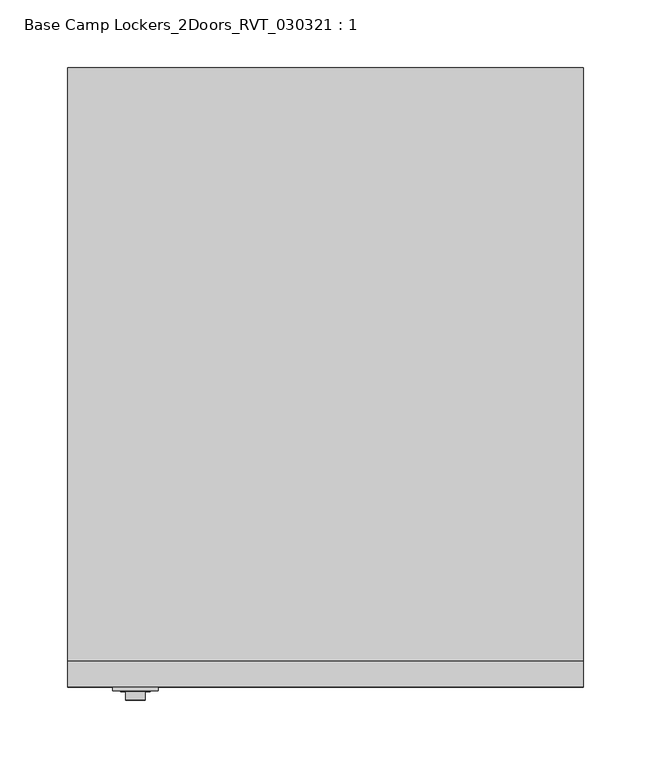
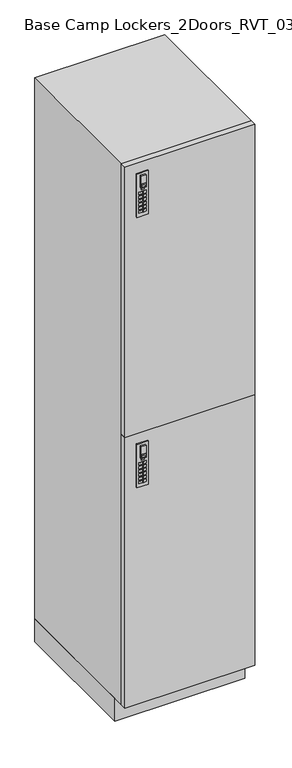
"""IFC4 building model written with IfcOpenShell, lengths in millimetres: furniture geometry, Base Camp Lockers_2Doors_RVT_030321 : 1."""

from ifc_helpers import new_model, si_unit, point, frame, frame_2d, origin, origin_with_axes, place, context, project, spatial, polyline, circle_curve, trimmed, segment, composite_curve, outline, extrude, source, transform, mapped, element, save


def base_camp_lockers_2doors_rvt_030321_1_e625cfff(model_context):
    return source(origin(), model_context, "Body", "SweptSolid", [
        extrude(outline(polyline([(-335.5659847, -459.994), (-326.1679847, -459.994), (-326.1679847, -460.8078831), (-335.5659847, -460.8078831), (-335.5659847, -459.994)])), frame((0.0, 0.0, 825.9907206), z_axis=(0.0, 0.0, 1.0), x_axis=(1.0, 0.0, 0.0)), (0.0, 0.0, 1.0), 4.8387031),
        extrude(outline(polyline([(-341.8914743, -459.994), (-331.9854743, -459.994), (-331.9854743, -460.8078831), (-341.8914743, -460.8078831), (-341.8914743, -459.994)])), frame((0.0, 0.0, 789.432), z_axis=(0.0, 0.0, 1.0), x_axis=(1.0, 0.0, 0.0)), (0.0, 0.0, 1.0), 7.874),
        extrude(outline(polyline([(-341.8914743, -459.994), (-331.9854743, -459.994), (-331.9854743, -460.8078831), (-341.8914743, -460.8078831), (-341.8914743, -459.994)])), frame((0.0, 0.0, 778.002), z_axis=(0.0, 0.0, 1.0), x_axis=(1.0, 0.0, 0.0)), (0.0, 0.0, 1.0), 7.874),
        extrude(outline(polyline([(-341.8914743, -459.994), (-331.9854743, -459.994), (-331.9854743, -460.8078831), (-341.8914743, -460.8078831), (-341.8914743, -459.994)])), frame((0.0, 0.0, 812.292), z_axis=(0.0, 0.0, 1.0), x_axis=(1.0, 0.0, 0.0)), (0.0, 0.0, 1.0), 7.874),
        extrude(outline(polyline([(-341.8914743, -459.994), (-331.9854743, -459.994), (-331.9854743, -460.8078831), (-341.8914743, -460.8078831), (-341.8914743, -459.994)])), frame((0.0, 0.0, 800.862), z_axis=(0.0, 0.0, 1.0), x_axis=(1.0, 0.0, 0.0)), (0.0, 0.0, 1.0), 7.874),
        extrude(outline(polyline([(-341.8914743, -459.994), (-331.9854743, -459.994), (-331.9854743, -460.8078831), (-341.8914743, -460.8078831), (-341.8914743, -459.994)])), frame((0.0, 0.0, 766.572), z_axis=(0.0, 0.0, 1.0), x_axis=(1.0, 0.0, 0.0)), (0.0, 0.0, 1.0), 7.874),
        extrude(outline(polyline([(-341.8914743, -459.994), (-331.9854743, -459.994), (-331.9854743, -460.8078831), (-341.8914743, -460.8078831), (-341.8914743, -459.994)])), frame((0.0, 0.0, 755.142), z_axis=(0.0, 0.0, 1.0), x_axis=(1.0, 0.0, 0.0)), (0.0, 0.0, 1.0), 7.874),
        extrude(outline(polyline([(-329.9385257, -459.994), (-320.0325257, -459.994), (-320.0325257, -460.8078831), (-329.9385257, -460.8078831), (-329.9385257, -459.994)])), frame((0.0, 0.0, 789.432), z_axis=(0.0, 0.0, 1.0), x_axis=(1.0, 0.0, 0.0)), (0.0, 0.0, 1.0), 7.874),
        extrude(outline(polyline([(-329.9385257, -459.994), (-320.0325257, -459.994), (-320.0325257, -460.8078831), (-329.9385257, -460.8078831), (-329.9385257, -459.994)])), frame((0.0, 0.0, 778.002), z_axis=(0.0, 0.0, 1.0), x_axis=(1.0, 0.0, 0.0)), (0.0, 0.0, 1.0), 7.874),
        extrude(outline(polyline([(-329.9385257, -459.994), (-320.0325257, -459.994), (-320.0325257, -460.8078831), (-329.9385257, -460.8078831), (-329.9385257, -459.994)])), frame((0.0, 0.0, 812.292), z_axis=(0.0, 0.0, 1.0), x_axis=(1.0, 0.0, 0.0)), (0.0, 0.0, 1.0), 7.874),
        extrude(outline(polyline([(-329.9385257, -459.994), (-320.0325257, -459.994), (-320.0325257, -460.8078831), (-329.9385257, -460.8078831), (-329.9385257, -459.994)])), frame((0.0, 0.0, 800.862), z_axis=(0.0, 0.0, 1.0), x_axis=(1.0, 0.0, 0.0)), (0.0, 0.0, 1.0), 7.874),
        extrude(outline(polyline([(-329.9385257, -459.994), (-320.0325257, -459.994), (-320.0325257, -460.8078831), (-329.9385257, -460.8078831), (-329.9385257, -459.994)])), frame((0.0, 0.0, 766.572), z_axis=(0.0, 0.0, 1.0), x_axis=(1.0, 0.0, 0.0)), (0.0, 0.0, 1.0), 7.874),
        extrude(outline(polyline([(-329.9385257, -459.994), (-320.0325257, -459.994), (-320.0325257, -460.8078831), (-329.9385257, -460.8078831), (-329.9385257, -459.994)])), frame((0.0, 0.0, 755.142), z_axis=(0.0, 0.0, 1.0), x_axis=(1.0, 0.0, 0.0)), (0.0, 0.0, 1.0), 7.874),
        extrude(outline(composite_curve([segment(trimmed(circle_curve(frame_2d((861.8707407, -330.962)), 3.302), [point((861.8707407, -334.264))], [point((861.8707407, -327.66))], False, "CARTESIAN"), True, "CONTINUOUS"), segment(trimmed(circle_curve(frame_2d((861.8707407, -330.962)), 3.302), [point((861.8707407, -327.66))], [point((861.8707407, -334.264))], False, "CARTESIAN"), True, "CONTINUOUS")], self_intersect=False)), frame((0.0, -461.01, 0.0), z_axis=(0.0, 1.0, 0.0), x_axis=(0.0, 0.0, 1.0)), (0.0, 0.0, 1.0), 1.016),
        extrude(outline(polyline([(872.236, -323.723), (872.236, -338.201), (835.66, -338.201), (835.66, -323.723), (872.236, -323.723)]), holes=[polyline([(838.1050696, -326.1679847), (838.1050696, -335.5659847), (848.7404975, -335.5659847), (848.7404975, -326.1679847), (838.1050696, -326.1679847)])]), frame((0.0, -466.852, 0.0), z_axis=(0.0, 1.0, 0.0), x_axis=(0.0, 0.0, 1.0)), (0.0, 0.0, 1.0), 5.842),
        extrude(outline(polyline([(-347.726, -457.2), (-314.198, -457.2), (-314.198, -459.994), (-347.726, -459.994), (-347.726, -457.2)])), frame((0.0, 0.0, 743.966), z_axis=(0.0, 0.0, 1.0), x_axis=(1.0, 0.0, 0.0)), (0.0, 0.0, 1.0), 134.62),
        extrude(outline(polyline([(-335.5659847, -459.994), (-326.1679847, -459.994), (-326.1679847, -460.8078831), (-335.5659847, -460.8078831), (-335.5659847, -459.994)])), frame((0.0, 0.0, 1664.1907206), z_axis=(0.0, 0.0, 1.0), x_axis=(1.0, 0.0, 0.0)), (0.0, 0.0, 1.0), 4.8387031),
        extrude(outline(polyline([(-341.8914743, -459.994), (-331.9854743, -459.994), (-331.9854743, -460.8078831), (-341.8914743, -460.8078831), (-341.8914743, -459.994)])), frame((0.0, 0.0, 1627.632), z_axis=(0.0, 0.0, 1.0), x_axis=(1.0, 0.0, 0.0)), (0.0, 0.0, 1.0), 7.874),
        extrude(outline(polyline([(-341.8914743, -459.994), (-331.9854743, -459.994), (-331.9854743, -460.8078831), (-341.8914743, -460.8078831), (-341.8914743, -459.994)])), frame((0.0, 0.0, 1616.202), z_axis=(0.0, 0.0, 1.0), x_axis=(1.0, 0.0, 0.0)), (0.0, 0.0, 1.0), 7.874),
        extrude(outline(polyline([(-341.8914743, -459.994), (-331.9854743, -459.994), (-331.9854743, -460.8078831), (-341.8914743, -460.8078831), (-341.8914743, -459.994)])), frame((0.0, 0.0, 1650.492), z_axis=(0.0, 0.0, 1.0), x_axis=(1.0, 0.0, 0.0)), (0.0, 0.0, 1.0), 7.874),
        extrude(outline(polyline([(-341.8914743, -459.994), (-331.9854743, -459.994), (-331.9854743, -460.8078831), (-341.8914743, -460.8078831), (-341.8914743, -459.994)])), frame((0.0, 0.0, 1639.062), z_axis=(0.0, 0.0, 1.0), x_axis=(1.0, 0.0, 0.0)), (0.0, 0.0, 1.0), 7.874),
        extrude(outline(polyline([(-341.8914743, -459.994), (-331.9854743, -459.994), (-331.9854743, -460.8078831), (-341.8914743, -460.8078831), (-341.8914743, -459.994)])), frame((0.0, 0.0, 1604.772), z_axis=(0.0, 0.0, 1.0), x_axis=(1.0, 0.0, 0.0)), (0.0, 0.0, 1.0), 7.874),
        extrude(outline(polyline([(-341.8914743, -459.994), (-331.9854743, -459.994), (-331.9854743, -460.8078831), (-341.8914743, -460.8078831), (-341.8914743, -459.994)])), frame((0.0, 0.0, 1593.342), z_axis=(0.0, 0.0, 1.0), x_axis=(1.0, 0.0, 0.0)), (0.0, 0.0, 1.0), 7.874),
        extrude(outline(polyline([(-329.9385257, -459.994), (-320.0325257, -459.994), (-320.0325257, -460.8078831), (-329.9385257, -460.8078831), (-329.9385257, -459.994)])), frame((0.0, 0.0, 1627.632), z_axis=(0.0, 0.0, 1.0), x_axis=(1.0, 0.0, 0.0)), (0.0, 0.0, 1.0), 7.874),
        extrude(outline(polyline([(-329.9385257, -459.994), (-320.0325257, -459.994), (-320.0325257, -460.8078831), (-329.9385257, -460.8078831), (-329.9385257, -459.994)])), frame((0.0, 0.0, 1616.202), z_axis=(0.0, 0.0, 1.0), x_axis=(1.0, 0.0, 0.0)), (0.0, 0.0, 1.0), 7.874),
        extrude(outline(polyline([(-329.9385257, -459.994), (-320.0325257, -459.994), (-320.0325257, -460.8078831), (-329.9385257, -460.8078831), (-329.9385257, -459.994)])), frame((0.0, 0.0, 1650.492), z_axis=(0.0, 0.0, 1.0), x_axis=(1.0, 0.0, 0.0)), (0.0, 0.0, 1.0), 7.874),
        extrude(outline(polyline([(-329.9385257, -459.994), (-320.0325257, -459.994), (-320.0325257, -460.8078831), (-329.9385257, -460.8078831), (-329.9385257, -459.994)])), frame((0.0, 0.0, 1639.062), z_axis=(0.0, 0.0, 1.0), x_axis=(1.0, 0.0, 0.0)), (0.0, 0.0, 1.0), 7.874),
        extrude(outline(polyline([(-329.9385257, -459.994), (-320.0325257, -459.994), (-320.0325257, -460.8078831), (-329.9385257, -460.8078831), (-329.9385257, -459.994)])), frame((0.0, 0.0, 1604.772), z_axis=(0.0, 0.0, 1.0), x_axis=(1.0, 0.0, 0.0)), (0.0, 0.0, 1.0), 7.874),
        extrude(outline(polyline([(-329.9385257, -459.994), (-320.0325257, -459.994), (-320.0325257, -460.8078831), (-329.9385257, -460.8078831), (-329.9385257, -459.994)])), frame((0.0, 0.0, 1593.342), z_axis=(0.0, 0.0, 1.0), x_axis=(1.0, 0.0, 0.0)), (0.0, 0.0, 1.0), 7.874),
        extrude(outline(composite_curve([segment(trimmed(circle_curve(frame_2d((1700.0707407, -330.962)), 3.302), [point((1700.0707407, -334.264))], [point((1700.0707407, -327.66))], False, "CARTESIAN"), True, "CONTINUOUS"), segment(trimmed(circle_curve(frame_2d((1700.0707407, -330.962)), 3.302), [point((1700.0707407, -327.66))], [point((1700.0707407, -334.264))], False, "CARTESIAN"), True, "CONTINUOUS")], self_intersect=False)), frame((0.0, -461.01, 0.0), z_axis=(0.0, 1.0, 0.0), x_axis=(0.0, 0.0, 1.0)), (0.0, 0.0, 1.0), 1.016),
        extrude(outline(polyline([(1710.436, -323.723), (1710.436, -338.201), (1673.86, -338.201), (1673.86, -323.723), (1710.436, -323.723)]), holes=[polyline([(1676.3050696, -326.1679847), (1676.3050696, -335.5659847), (1686.9404975, -335.5659847), (1686.9404975, -326.1679847), (1676.3050696, -326.1679847)])]), frame((0.0, -466.852, 0.0), z_axis=(0.0, 1.0, 0.0), x_axis=(0.0, 0.0, 1.0)), (0.0, 0.0, 1.0), 5.842),
        extrude(outline(polyline([(-347.726, -457.2), (-314.198, -457.2), (-314.198, -459.994), (-347.726, -459.994), (-347.726, -457.2)])), frame((0.0, 0.0, 1582.166), z_axis=(0.0, 0.0, 1.0), x_axis=(1.0, 0.0, 0.0)), (0.0, 0.0, 1.0), 134.62),
        extrude(outline(polyline([(-381.0, -438.15), (0.0, -438.15), (0.0, -457.2), (-381.0, -457.2), (-381.0, -438.15)])), frame((0.0, 0.0, 71.12), z_axis=(0.0, 0.0, 1.0), x_axis=(1.0, 0.0, 0.0)), (0.0, 0.0, 1.0), 838.2),
        extrude(outline(polyline([(-381.0, -438.15), (0.0, -438.15), (0.0, -457.2), (-381.0, -457.2), (-381.0, -438.15)])), frame((0.0, 0.0, 909.32), z_axis=(0.0, 0.0, 1.0), x_axis=(1.0, 0.0, 0.0)), (0.0, 0.0, 1.0), 838.2),
        extrude(outline(polyline([(0.0, 0.0), (0.0, -438.15), (-381.0, -438.15), (-381.0, 0.0), (0.0, 0.0)])), frame((0.0, 0.0, 71.12), z_axis=(0.0, 0.0, 1.0), x_axis=(1.0, 0.0, 0.0)), (0.0, 0.0, 1.0), 1676.4),
        extrude(outline(polyline([(0.0, -406.4), (-381.0, -406.4), (-381.0, 0.0), (0.0, 0.0), (0.0, -406.4)])), origin_with_axes(), (0.0, 0.0, 1.0), 71.12),
    ])


if __name__ == "__main__":
    model = new_model("IFC4")
    model_context = context("Model", 3, world=origin())
    ifc_project = project(units=[si_unit("LENGTHUNIT", "METRE", prefix="MILLI")], contexts=[model_context])
    site = spatial("IfcSite", under=ifc_project)
    building = spatial("IfcBuilding", under=site)
    placement = place(None, origin())
    base_camp_lockers_2doors_rvt_030321_1_shape = base_camp_lockers_2doors_rvt_030321_1_e625cfff(model_context)
    element("IfcFurniture", 1, ObjectType="Base Camp Lockers_2Doors_RVT_030321 : 1", at=placement, inside=building, context=model_context, shape_type="MappedRepresentation", body=[
        mapped(base_camp_lockers_2doors_rvt_030321_1_shape, transform((0.0, 0.0, 0.0), x_axis=(1.0, 0.0, 0.0), y_axis=(0.0, 1.0, 0.0), z_axis=(0.0, 0.0, 1.0))),
    ])
    save(model, "model.ifc")
